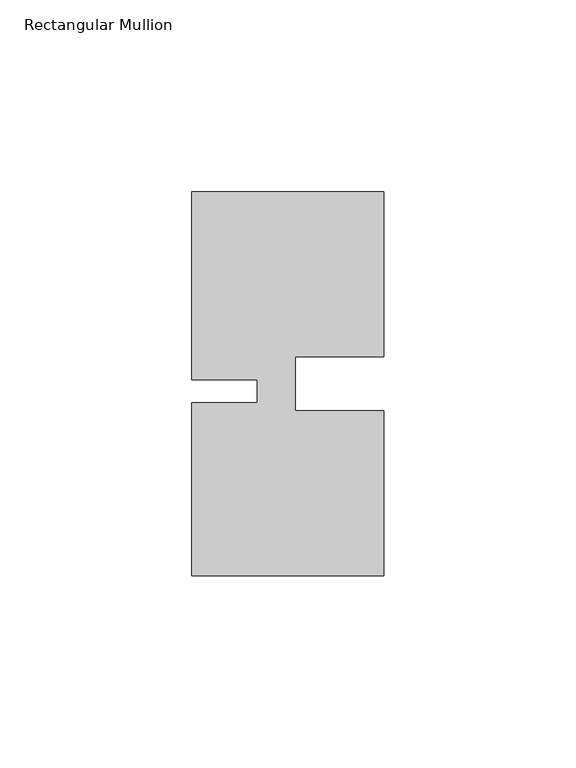
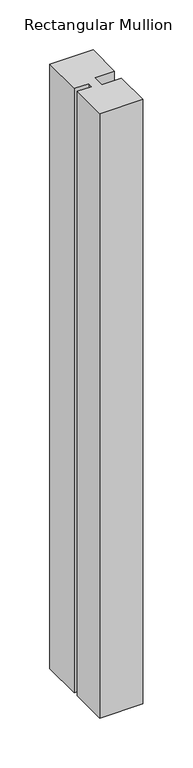
"""IFC4 building model written with IfcOpenShell, lengths in millimetres: member geometry, Rectangular Mullion."""

from ifc_helpers import new_model, si_unit, frame, origin, place, context, project, spatial, polyline, outline, extrude, source, transform, mapped, element, save


def rectangular_mullion_e7d4b75f(model_context):
    return source(origin(), model_context, "Body", "SweptSolid", [
        extrude(outline(polyline([(-23.0000341, -5.000031), (-4.2e-06, -5.0000287), (0.0, -48.0000271), (-50.0, -48.000032), (-50.0000044, -3.000032), (-33.0004661, -3.0000303), (-33.0004667, 2.999987), (-50.000005, 2.9999853), (-50.0000098, 51.999968), (-3.44e-05, 51.999968), (-3.44e-05, 8.9999707), (-23.0000354, 8.9999684), (-23.0000341, -5.000031)])), frame((0.0, 0.0, -739.9999703), z_axis=(0.0, 0.0, 1.0), x_axis=(1.0, 0.0, 0.0)), (0.0, 0.0, 1.0), 739.9999703),
    ])


if __name__ == "__main__":
    model = new_model("IFC4")
    model_context = context("Model", 3, world=origin())
    ifc_project = project(units=[si_unit("LENGTHUNIT", "METRE", prefix="MILLI")], contexts=[model_context])
    site = spatial("IfcSite", under=ifc_project)
    building = spatial("IfcBuilding", under=site)
    placement = place(None, origin())
    rectangular_mullion_shape = rectangular_mullion_e7d4b75f(model_context)
    element("IfcMember", 1, ObjectType="Rectangular Mullion", at=placement, inside=building, context=model_context, shape_type="MappedRepresentation", body=[
        mapped(rectangular_mullion_shape, transform((0.0, 0.0, 0.0), x_axis=(1.0, 0.0, 0.0), y_axis=(0.0, 1.0, 0.0), z_axis=(0.0, 0.0, 1.0))),
    ])
    save(model, "model.ifc")
